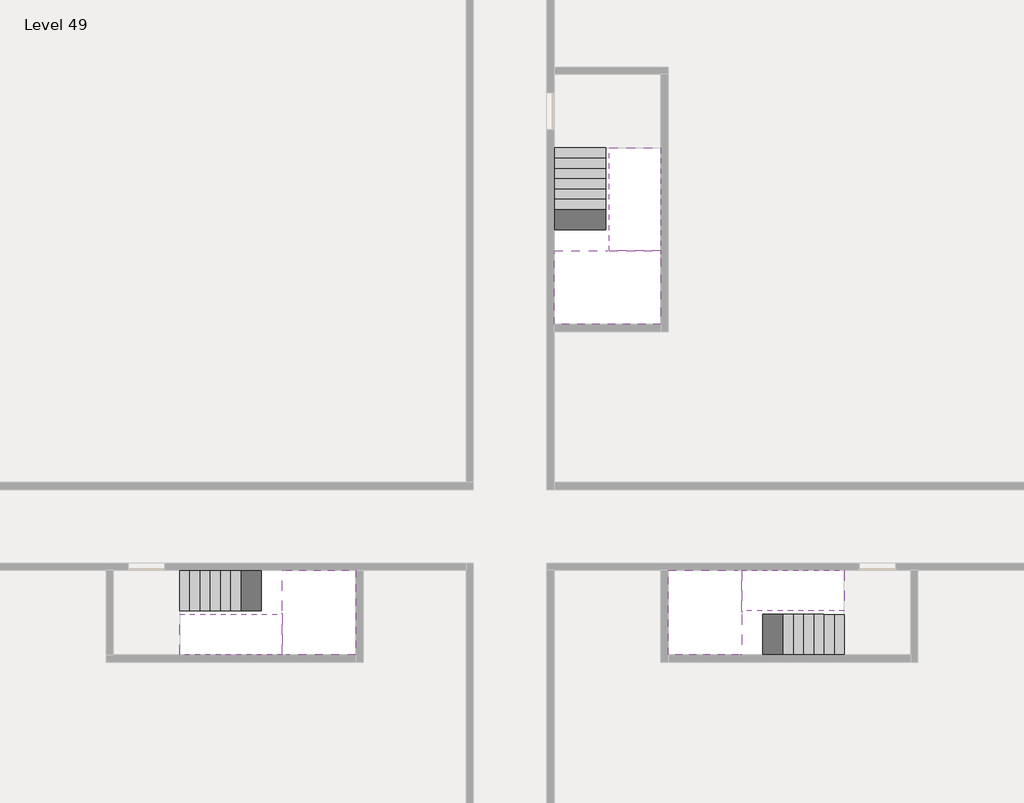
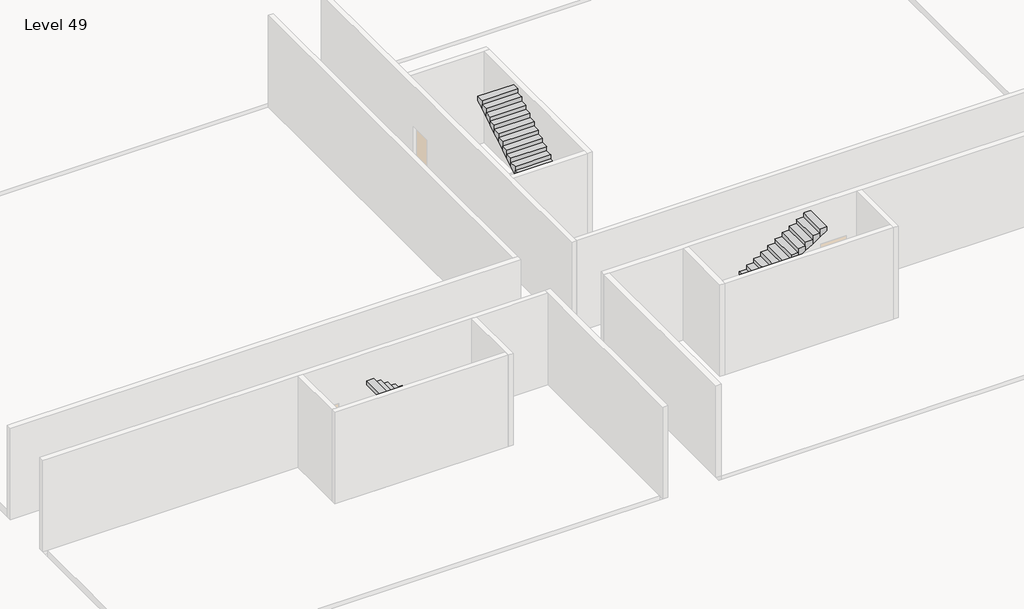
# One storey, part 2 of 2: 6 stair flights, 3 slabs.
"""IFC4 building model written with IfcOpenShell, lengths in millimetres."""

from ifc_helpers import new_model, si_unit, origin, place, context, project, spatial, faceted_brep, element, save

model = new_model("IFC4")

# Units and contexts
model_context = context("Model", 3, world=origin())
ifc_project = project(units=[si_unit("LENGTHUNIT", "METRE", prefix="MILLI")], contexts=[model_context])

# Site, building, storey
site = spatial("IfcSite", under=ifc_project)
building = spatial("IfcBuilding", under=site)
storey = spatial("IfcBuildingStorey", under=building, Name="Level 49", Elevation=182400.0)

# Slabs
placement = place(None, origin())
element("IfcSlab", 1, at=placement, inside=storey, context=model_context, shape_type="Brep", body=[
    faceted_brep([(26790.1058784, -34218.09644, 184300.0), (25390.1058784, -34218.09644, 184300.0), (25390.1058784, -34297.4828763, 184300.0), (25390.1058784, -36218.09644, 184300.0), (28290.1058784, -36218.09644, 184300.0), (28290.1058784, -34418.7100038, 184300.0), (28290.1058784, -34218.09644, 184300.0), (26890.1058784, -34218.09644, 184300.0), (26790.1058784, -34218.09644, 184000.0), (26790.1058784, -34218.09644, 183951.0278478), (25390.1058784, -34218.09644, 183951.0278478), (25390.1058784, -34218.09644, 184127.2727273), (25390.1058784, -34297.4828763, 184000.0), (25390.1058784, -36218.09644, 184000.0), (28290.1058784, -36218.09644, 184000.0), (28290.1058784, -34418.7100038, 184000.0), (28290.1058784, -34218.09644, 184123.7551205), (26890.1058784, -34218.09644, 184123.7551205), (26890.1058784, -34218.09644, 184000.0), (26890.1058784, -34418.7100038, 184000.0), (26790.1058784, -34297.4828763, 184000.0)], [[[0, 1, 2, 3, 4, 5, 6, 7]], [[1, 0, 8, 9, 10, 11]], [[1, 11, 10, 12, 13, 3, 2]], [[4, 3, 13, 14]], [[4, 14, 15, 16, 6, 5]], [[7, 6, 16, 17]], [[0, 7, 17, 18, 8]], [[18, 19, 15, 14, 13, 12, 20, 8]], [[19, 18, 17]], [[20, 12, 10, 9]], [[8, 20, 9]], [[15, 19, 17, 16]]]),
])
element("IfcSlab", 2, at=placement, inside=storey, context=model_context, shape_type="Brep", body=[
    faceted_brep([(30490.1058784, -45218.09644, 184300.0), (30490.1058784, -44118.09644, 184300.0), (30490.1058784, -44018.09644, 184300.0), (30490.1058784, -42918.09644, 184300.0), (30289.4923146, -42918.09644, 184300.0), (28490.1058784, -42918.09644, 184300.0), (28490.1058784, -45218.09644, 184300.0), (30410.7194421, -45218.09644, 184300.0), (30490.1058784, -45218.09644, 184127.2727273), (30490.1058784, -45218.09644, 183951.0278478), (30490.1058784, -44118.09644, 183951.0278478), (30490.1058784, -44118.09644, 184000.0), (30490.1058784, -44018.09644, 184000.0), (30490.1058784, -44018.09644, 184123.7551205), (30490.1058784, -42918.09644, 184123.7551205), (30289.4923146, -42918.09644, 184000.0), (28490.1058784, -42918.09644, 184000.0), (28490.1058784, -45218.09644, 184000.0), (30410.7194421, -45218.09644, 184000.0), (30289.4923146, -44018.09644, 184000.0), (30410.7194421, -44118.09644, 184000.0)], [[[0, 1, 2, 3, 4, 5, 6, 7]], [[1, 0, 8, 9, 10, 11]], [[2, 1, 11, 12, 13]], [[3, 2, 13, 14]], [[3, 14, 15, 16, 5, 4]], [[6, 5, 16, 17]], [[9, 8, 0, 7, 6, 17, 18]], [[19, 12, 11, 20, 18, 17, 16, 15]], [[12, 19, 13]], [[18, 20, 10, 9]], [[20, 11, 10]], [[19, 15, 14, 13]]]),
])
element("IfcSlab", 3, at=placement, inside=storey, context=model_context, shape_type="Brep", body=[
    faceted_brep([(17990.1058784, -42918.09644, 184300.0), (17990.1058784, -44018.09644, 184300.0), (17990.1058784, -44118.09644, 184300.0), (17990.1058784, -45218.09644, 184300.0), (18190.7194421, -45218.09644, 184300.0), (19990.1058784, -45218.09644, 184300.0), (19990.1058784, -42918.09644, 184300.0), (18069.4923146, -42918.09644, 184300.0), (17990.1058784, -42918.09644, 184127.2727273), (17990.1058784, -42918.09644, 183951.0278478), (17990.1058784, -44018.09644, 183951.0278478), (17990.1058784, -44018.09644, 184000.0), (17990.1058784, -44118.09644, 184000.0), (17990.1058784, -44118.09644, 184123.7551205), (17990.1058784, -45218.09644, 184123.7551205), (18190.7194421, -45218.09644, 184000.0), (19990.1058784, -45218.09644, 184000.0), (19990.1058784, -42918.09644, 184000.0), (18069.4923146, -42918.09644, 184000.0), (18190.7194421, -44118.09644, 184000.0), (18069.4923146, -44018.09644, 184000.0)], [[[0, 1, 2, 3, 4, 5, 6, 7]], [[1, 0, 8, 9, 10, 11]], [[2, 1, 11, 12, 13]], [[3, 2, 13, 14]], [[3, 14, 15, 16, 5, 4]], [[6, 5, 16, 17]], [[9, 8, 0, 7, 6, 17, 18]], [[19, 12, 11, 20, 18, 17, 16, 15]], [[12, 19, 13]], [[18, 20, 10, 9]], [[20, 11, 10]], [[19, 15, 14, 13]]]),
])

# Stair flights
element("IfcStairFlight", 4, at=placement, inside=storey, context=model_context, shape_type="Brep", body=[
    faceted_brep([(26790.1058784, -31698.09644, 182572.7272727), (26790.1058784, -31418.09644, 182572.7272727), (25390.1058784, -31418.09644, 182572.7272727), (25390.1058784, -31698.09644, 182572.7272727), (26790.1058784, -31698.09644, 182400.0), (26790.1058784, -31418.09644, 182400.0), (25390.1058784, -31418.09644, 182400.0), (25390.1058784, -31698.09644, 182400.0), (26790.1058784, -31978.09644, 182745.4545455), (26790.1058784, -31698.09644, 182745.4545455), (25390.1058784, -31698.09644, 182745.4545455), (25390.1058784, -31978.09644, 182745.4545455), (26790.1058784, -31978.09644, 182569.209666), (26790.1058784, -31703.7986657, 182400.0), (25390.1058784, -31703.7986657, 182400.0), (25390.1058784, -31978.09644, 182569.209666), (26790.1058784, -32258.09644, 182918.1818182), (26790.1058784, -31978.09644, 182918.1818182), (25390.1058784, -31978.09644, 182918.1818182), (25390.1058784, -32258.09644, 182918.1818182), (26790.1058784, -32258.09644, 182741.9369387), (25390.1058784, -32258.09644, 182741.9369387), (26790.1058784, -32538.09644, 183090.9090909), (26790.1058784, -32258.09644, 183090.9090909), (25390.1058784, -32258.09644, 183090.9090909), (25390.1058784, -32538.09644, 183090.9090909), (26790.1058784, -32538.09644, 182914.6642114), (25390.1058784, -32538.09644, 182914.6642114), (26790.1058784, -32818.09644, 183263.6363636), (26790.1058784, -32538.09644, 183263.6363636), (25390.1058784, -32538.09644, 183263.6363636), (25390.1058784, -32818.09644, 183263.6363636), (26790.1058784, -32818.09644, 183087.3914841), (25390.1058784, -32818.09644, 183087.3914841), (26790.1058784, -33098.09644, 183436.3636364), (26790.1058784, -32818.09644, 183436.3636364), (25390.1058784, -32818.09644, 183436.3636364), (25390.1058784, -33098.09644, 183436.3636364), (26790.1058784, -33098.09644, 183260.1187569), (25390.1058784, -33098.09644, 183260.1187569), (26790.1058784, -33378.09644, 183609.0909091), (26790.1058784, -33098.09644, 183609.0909091), (25390.1058784, -33098.09644, 183609.0909091), (25390.1058784, -33378.09644, 183609.0909091), (26790.1058784, -33378.09644, 183432.8460296), (25390.1058784, -33378.09644, 183432.8460296), (26790.1058784, -33658.09644, 183781.8181818), (26790.1058784, -33378.09644, 183781.8181818), (25390.1058784, -33378.09644, 183781.8181818), (25390.1058784, -33658.09644, 183781.8181818), (26790.1058784, -33658.09644, 183605.5733023), (25390.1058784, -33658.09644, 183605.5733023), (26790.1058784, -33938.09644, 183954.5454545), (26790.1058784, -33658.09644, 183954.5454545), (25390.1058784, -33658.09644, 183954.5454545), (25390.1058784, -33938.09644, 183954.5454545), (26790.1058784, -33938.09644, 183778.3005751), (25390.1058784, -33938.09644, 183778.3005751), (26790.1058784, -34218.09644, 184127.2727273), (26790.1058784, -33938.09644, 184127.2727273), (25390.1058784, -33938.09644, 184127.2727273), (25390.1058784, -34218.09644, 184127.2727273), (26790.1058784, -34218.09644, 184000.0), (26790.1058784, -34218.09644, 183951.0278478), (25390.1058784, -34218.09644, 183951.0278478)], [[[0, 1, 2, 3]], [[1, 0, 4, 5]], [[2, 1, 5, 6]], [[3, 2, 6, 7]], [[8, 9, 10, 11]], [[4, 0, 9, 8, 12, 13]], [[0, 3, 10, 9]], [[3, 7, 14, 15, 11, 10]], [[16, 17, 18, 19]], [[17, 16, 20, 12, 8]], [[8, 11, 18, 17]], [[19, 18, 11, 15, 21]], [[22, 23, 24, 25]], [[23, 22, 26, 20, 16]], [[16, 19, 24, 23]], [[25, 24, 19, 21, 27]], [[28, 29, 30, 31]], [[29, 28, 32, 26, 22]], [[22, 25, 30, 29]], [[31, 30, 25, 27, 33]], [[34, 35, 36, 37]], [[35, 34, 38, 32, 28]], [[28, 31, 36, 35]], [[37, 36, 31, 33, 39]], [[40, 41, 42, 43]], [[41, 40, 44, 38, 34]], [[34, 37, 42, 41]], [[43, 42, 37, 39, 45]], [[46, 47, 48, 49]], [[47, 46, 50, 44, 40]], [[40, 43, 48, 47]], [[49, 48, 43, 45, 51]], [[52, 53, 54, 55]], [[53, 52, 56, 50, 46]], [[46, 49, 54, 53]], [[55, 54, 49, 51, 57]], [[58, 59, 60, 61]], [[59, 58, 62, 63, 56, 52]], [[52, 55, 60, 59]], [[61, 60, 55, 57, 64]], [[58, 61, 64, 63, 62]], [[5, 4, 13, 14, 7, 6]], [[14, 13, 12, 20, 26, 32, 38, 44, 50, 56, 63, 64, 57, 51, 45, 39, 33, 27, 21, 15]]]),
])
element("IfcStairFlight", 5, at=placement, inside=storey, context=model_context, shape_type="Brep", body=[
    faceted_brep([(26890.1058784, -33938.09644, 184472.7272727), (26890.1058784, -34218.09644, 184472.7272727), (28290.1058784, -34218.09644, 184472.7272727), (28290.1058784, -33938.09644, 184472.7272727), (26890.1058784, -33938.09644, 184296.4823932), (26890.1058784, -34218.09644, 184123.7551205), (28290.1058784, -34218.09644, 184123.7551205), (28290.1058784, -34218.09644, 184300.0), (28290.1058784, -33938.09644, 184296.4823932), (26890.1058784, -33658.09644, 184645.4545455), (26890.1058784, -33938.09644, 184645.4545455), (28290.1058784, -33938.09644, 184645.4545455), (28290.1058784, -33658.09644, 184645.4545455), (26890.1058784, -33658.09644, 184469.209666), (28290.1058784, -33658.09644, 184469.209666), (26890.1058784, -33378.09644, 184818.1818182), (26890.1058784, -33658.09644, 184818.1818182), (28290.1058784, -33658.09644, 184818.1818182), (28290.1058784, -33378.09644, 184818.1818182), (26890.1058784, -33378.09644, 184641.9369387), (28290.1058784, -33378.09644, 184641.9369387), (26890.1058784, -33098.09644, 184990.9090909), (26890.1058784, -33378.09644, 184990.9090909), (28290.1058784, -33378.09644, 184990.9090909), (28290.1058784, -33098.09644, 184990.9090909), (26890.1058784, -33098.09644, 184814.6642114), (28290.1058784, -33098.09644, 184814.6642114), (26890.1058784, -32818.09644, 185163.6363636), (26890.1058784, -33098.09644, 185163.6363636), (28290.1058784, -33098.09644, 185163.6363636), (28290.1058784, -32818.09644, 185163.6363636), (26890.1058784, -32818.09644, 184987.3914841), (28290.1058784, -32818.09644, 184987.3914841), (26890.1058784, -32538.09644, 185336.3636364), (26890.1058784, -32818.09644, 185336.3636364), (28290.1058784, -32818.09644, 185336.3636364), (28290.1058784, -32538.09644, 185336.3636364), (26890.1058784, -32538.09644, 185160.1187569), (28290.1058784, -32538.09644, 185160.1187569), (26890.1058784, -32258.09644, 185509.0909091), (26890.1058784, -32538.09644, 185509.0909091), (28290.1058784, -32538.09644, 185509.0909091), (28290.1058784, -32258.09644, 185509.0909091), (26890.1058784, -32258.09644, 185332.8460296), (28290.1058784, -32258.09644, 185332.8460296), (26890.1058784, -31978.09644, 185681.8181818), (26890.1058784, -32258.09644, 185681.8181818), (28290.1058784, -32258.09644, 185681.8181818), (28290.1058784, -31978.09644, 185681.8181818), (26890.1058784, -31978.09644, 185505.5733023), (28290.1058784, -31978.09644, 185505.5733023), (26890.1058784, -31698.09644, 185854.5454545), (26890.1058784, -31978.09644, 185854.5454545), (28290.1058784, -31978.09644, 185854.5454545), (28290.1058784, -31698.09644, 185854.5454545), (26890.1058784, -31698.09644, 185678.3005751), (28290.1058784, -31698.09644, 185678.3005751), (26890.1058784, -31418.09644, 186027.2727273), (26890.1058784, -31698.09644, 186027.2727273), (28290.1058784, -31698.09644, 186027.2727273), (28290.1058784, -31418.09644, 186027.2727273), (26890.1058784, -31418.09644, 185851.0278478), (28290.1058784, -31418.09644, 185851.0278478)], [[[0, 1, 2, 3]], [[1, 0, 4, 5]], [[2, 1, 5, 6, 7]], [[3, 2, 7, 6, 8]], [[9, 10, 11, 12]], [[10, 9, 13, 4, 0]], [[11, 10, 0, 3]], [[12, 11, 3, 8, 14]], [[15, 16, 17, 18]], [[16, 15, 19, 13, 9]], [[17, 16, 9, 12]], [[18, 17, 12, 14, 20]], [[21, 22, 23, 24]], [[22, 21, 25, 19, 15]], [[23, 22, 15, 18]], [[24, 23, 18, 20, 26]], [[27, 28, 29, 30]], [[28, 27, 31, 25, 21]], [[29, 28, 21, 24]], [[30, 29, 24, 26, 32]], [[33, 34, 35, 36]], [[34, 33, 37, 31, 27]], [[35, 34, 27, 30]], [[36, 35, 30, 32, 38]], [[39, 40, 41, 42]], [[40, 39, 43, 37, 33]], [[41, 40, 33, 36]], [[42, 41, 36, 38, 44]], [[45, 46, 47, 48]], [[46, 45, 49, 43, 39]], [[47, 46, 39, 42]], [[48, 47, 42, 44, 50]], [[51, 52, 53, 54]], [[52, 51, 55, 49, 45]], [[53, 52, 45, 48]], [[54, 53, 48, 50, 56]], [[57, 58, 59, 60]], [[58, 57, 61, 55, 51]], [[59, 58, 51, 54]], [[60, 59, 54, 56, 62]], [[57, 60, 62, 61]], [[5, 4, 13, 19, 25, 31, 37, 43, 49, 55, 61, 62, 56, 50, 44, 38, 32, 26, 20, 14, 8, 6]]]),
])
element("IfcStairFlight", 6, at=placement, inside=storey, context=model_context, shape_type="Brep", body=[
    faceted_brep([(33010.1058784, -45218.09644, 182572.7272727), (33290.1058784, -45218.09644, 182572.7272727), (33290.1058784, -44118.09644, 182572.7272727), (33010.1058784, -44118.09644, 182572.7272727), (33010.1058784, -45218.09644, 182400.0), (33290.1058784, -45218.09644, 182400.0), (33290.1058784, -44118.09644, 182400.0), (33010.1058784, -44118.09644, 182400.0), (32730.1058784, -45218.09644, 182745.4545455), (33010.1058784, -45218.09644, 182745.4545455), (33010.1058784, -44118.09644, 182745.4545455), (32730.1058784, -44118.09644, 182745.4545455), (32730.1058784, -45218.09644, 182569.209666), (33004.4036527, -45218.09644, 182400.0), (33004.4036527, -44118.09644, 182400.0), (32730.1058784, -44118.09644, 182569.209666), (32450.1058784, -45218.09644, 182918.1818182), (32730.1058784, -45218.09644, 182918.1818182), (32730.1058784, -44118.09644, 182918.1818182), (32450.1058784, -44118.09644, 182918.1818182), (32450.1058784, -45218.09644, 182741.9369387), (32450.1058784, -44118.09644, 182741.9369387), (32170.1058784, -45218.09644, 183090.9090909), (32450.1058784, -45218.09644, 183090.9090909), (32450.1058784, -44118.09644, 183090.9090909), (32170.1058784, -44118.09644, 183090.9090909), (32170.1058784, -45218.09644, 182914.6642114), (32170.1058784, -44118.09644, 182914.6642114), (31890.1058784, -45218.09644, 183263.6363636), (32170.1058784, -45218.09644, 183263.6363636), (32170.1058784, -44118.09644, 183263.6363636), (31890.1058784, -44118.09644, 183263.6363636), (31890.1058784, -45218.09644, 183087.3914841), (31890.1058784, -44118.09644, 183087.3914841), (31610.1058784, -45218.09644, 183436.3636364), (31890.1058784, -45218.09644, 183436.3636364), (31890.1058784, -44118.09644, 183436.3636364), (31610.1058784, -44118.09644, 183436.3636364), (31610.1058784, -45218.09644, 183260.1187569), (31610.1058784, -44118.09644, 183260.1187569), (31330.1058784, -45218.09644, 183609.0909091), (31610.1058784, -45218.09644, 183609.0909091), (31610.1058784, -44118.09644, 183609.0909091), (31330.1058784, -44118.09644, 183609.0909091), (31330.1058784, -45218.09644, 183432.8460296), (31330.1058784, -44118.09644, 183432.8460296), (31050.1058784, -45218.09644, 183781.8181818), (31330.1058784, -45218.09644, 183781.8181818), (31330.1058784, -44118.09644, 183781.8181818), (31050.1058784, -44118.09644, 183781.8181818), (31050.1058784, -45218.09644, 183605.5733023), (31050.1058784, -44118.09644, 183605.5733023), (30770.1058784, -45218.09644, 183954.5454545), (31050.1058784, -45218.09644, 183954.5454545), (31050.1058784, -44118.09644, 183954.5454545), (30770.1058784, -44118.09644, 183954.5454545), (30770.1058784, -45218.09644, 183778.3005751), (30770.1058784, -44118.09644, 183778.3005751), (30490.1058784, -45218.09644, 184127.2727273), (30770.1058784, -45218.09644, 184127.2727273), (30770.1058784, -44118.09644, 184127.2727273), (30490.1058784, -44118.09644, 184127.2727273), (30490.1058784, -45218.09644, 183951.0278478), (30490.1058784, -44118.09644, 183951.0278478), (30490.1058784, -44118.09644, 184000.0)], [[[0, 1, 2, 3]], [[1, 0, 4, 5]], [[2, 1, 5, 6]], [[3, 2, 6, 7]], [[8, 9, 10, 11]], [[4, 0, 9, 8, 12, 13]], [[0, 3, 10, 9]], [[3, 7, 14, 15, 11, 10]], [[16, 17, 18, 19]], [[17, 16, 20, 12, 8]], [[8, 11, 18, 17]], [[19, 18, 11, 15, 21]], [[22, 23, 24, 25]], [[23, 22, 26, 20, 16]], [[16, 19, 24, 23]], [[25, 24, 19, 21, 27]], [[28, 29, 30, 31]], [[29, 28, 32, 26, 22]], [[22, 25, 30, 29]], [[31, 30, 25, 27, 33]], [[34, 35, 36, 37]], [[35, 34, 38, 32, 28]], [[28, 31, 36, 35]], [[37, 36, 31, 33, 39]], [[40, 41, 42, 43]], [[41, 40, 44, 38, 34]], [[34, 37, 42, 41]], [[43, 42, 37, 39, 45]], [[46, 47, 48, 49]], [[47, 46, 50, 44, 40]], [[40, 43, 48, 47]], [[49, 48, 43, 45, 51]], [[52, 53, 54, 55]], [[53, 52, 56, 50, 46]], [[46, 49, 54, 53]], [[55, 54, 49, 51, 57]], [[58, 59, 60, 61]], [[59, 58, 62, 56, 52]], [[52, 55, 60, 59]], [[61, 60, 55, 57, 63, 64]], [[58, 61, 64, 63, 62]], [[5, 4, 13, 14, 7, 6]], [[14, 13, 12, 20, 26, 32, 38, 44, 50, 56, 62, 63, 57, 51, 45, 39, 33, 27, 21, 15]]]),
])
element("IfcStairFlight", 7, at=placement, inside=storey, context=model_context, shape_type="Brep", body=[
    faceted_brep([(30770.1058784, -42918.09644, 184472.7272727), (30490.1058784, -42918.09644, 184472.7272727), (30490.1058784, -44018.09644, 184472.7272727), (30770.1058784, -44018.09644, 184472.7272727), (30770.1058784, -42918.09644, 184296.4823932), (30490.1058784, -42918.09644, 184123.7551205), (30490.1058784, -42918.09644, 184300.0), (30490.1058784, -44018.09644, 184123.7551205), (30770.1058784, -44018.09644, 184296.4823932), (31050.1058784, -42918.09644, 184645.4545455), (30770.1058784, -42918.09644, 184645.4545455), (30770.1058784, -44018.09644, 184645.4545455), (31050.1058784, -44018.09644, 184645.4545455), (31050.1058784, -42918.09644, 184469.209666), (31050.1058784, -44018.09644, 184469.209666), (31330.1058784, -42918.09644, 184818.1818182), (31050.1058784, -42918.09644, 184818.1818182), (31050.1058784, -44018.09644, 184818.1818182), (31330.1058784, -44018.09644, 184818.1818182), (31330.1058784, -42918.09644, 184641.9369387), (31330.1058784, -44018.09644, 184641.9369387), (31610.1058784, -42918.09644, 184990.9090909), (31330.1058784, -42918.09644, 184990.9090909), (31330.1058784, -44018.09644, 184990.9090909), (31610.1058784, -44018.09644, 184990.9090909), (31610.1058784, -42918.09644, 184814.6642114), (31610.1058784, -44018.09644, 184814.6642114), (31890.1058784, -42918.09644, 185163.6363636), (31610.1058784, -42918.09644, 185163.6363636), (31610.1058784, -44018.09644, 185163.6363636), (31890.1058784, -44018.09644, 185163.6363636), (31890.1058784, -42918.09644, 184987.3914841), (31890.1058784, -44018.09644, 184987.3914841), (32170.1058784, -42918.09644, 185336.3636364), (31890.1058784, -42918.09644, 185336.3636364), (31890.1058784, -44018.09644, 185336.3636364), (32170.1058784, -44018.09644, 185336.3636364), (32170.1058784, -42918.09644, 185160.1187569), (32170.1058784, -44018.09644, 185160.1187569), (32450.1058784, -42918.09644, 185509.0909091), (32170.1058784, -42918.09644, 185509.0909091), (32170.1058784, -44018.09644, 185509.0909091), (32450.1058784, -44018.09644, 185509.0909091), (32450.1058784, -42918.09644, 185332.8460296), (32450.1058784, -44018.09644, 185332.8460296), (32730.1058784, -42918.09644, 185681.8181818), (32450.1058784, -42918.09644, 185681.8181818), (32450.1058784, -44018.09644, 185681.8181818), (32730.1058784, -44018.09644, 185681.8181818), (32730.1058784, -42918.09644, 185505.5733023), (32730.1058784, -44018.09644, 185505.5733023), (33010.1058784, -42918.09644, 185854.5454545), (32730.1058784, -42918.09644, 185854.5454545), (32730.1058784, -44018.09644, 185854.5454545), (33010.1058784, -44018.09644, 185854.5454545), (33010.1058784, -42918.09644, 185678.3005751), (33010.1058784, -44018.09644, 185678.3005751), (33290.1058784, -42918.09644, 186027.2727273), (33010.1058784, -42918.09644, 186027.2727273), (33010.1058784, -44018.09644, 186027.2727273), (33290.1058784, -44018.09644, 186027.2727273), (33290.1058784, -42918.09644, 185851.0278478), (33290.1058784, -44018.09644, 185851.0278478)], [[[0, 1, 2, 3]], [[1, 0, 4, 5, 6]], [[2, 1, 6, 5, 7]], [[3, 2, 7, 8]], [[9, 10, 11, 12]], [[10, 9, 13, 4, 0]], [[11, 10, 0, 3]], [[12, 11, 3, 8, 14]], [[15, 16, 17, 18]], [[16, 15, 19, 13, 9]], [[17, 16, 9, 12]], [[18, 17, 12, 14, 20]], [[21, 22, 23, 24]], [[22, 21, 25, 19, 15]], [[23, 22, 15, 18]], [[24, 23, 18, 20, 26]], [[27, 28, 29, 30]], [[28, 27, 31, 25, 21]], [[29, 28, 21, 24]], [[30, 29, 24, 26, 32]], [[33, 34, 35, 36]], [[34, 33, 37, 31, 27]], [[35, 34, 27, 30]], [[36, 35, 30, 32, 38]], [[39, 40, 41, 42]], [[40, 39, 43, 37, 33]], [[41, 40, 33, 36]], [[42, 41, 36, 38, 44]], [[45, 46, 47, 48]], [[46, 45, 49, 43, 39]], [[47, 46, 39, 42]], [[48, 47, 42, 44, 50]], [[51, 52, 53, 54]], [[52, 51, 55, 49, 45]], [[53, 52, 45, 48]], [[54, 53, 48, 50, 56]], [[57, 58, 59, 60]], [[58, 57, 61, 55, 51]], [[59, 58, 51, 54]], [[60, 59, 54, 56, 62]], [[57, 60, 62, 61]], [[5, 4, 13, 19, 25, 31, 37, 43, 49, 55, 61, 62, 56, 50, 44, 38, 32, 26, 20, 14, 8, 7]]]),
])
element("IfcStairFlight", 8, at=placement, inside=storey, context=model_context, shape_type="Brep", body=[
    faceted_brep([(15470.1058784, -42918.09644, 182572.7272727), (15190.1058784, -42918.09644, 182572.7272727), (15190.1058784, -44018.09644, 182572.7272727), (15470.1058784, -44018.09644, 182572.7272727), (15470.1058784, -42918.09644, 182400.0), (15190.1058784, -42918.09644, 182400.0), (15190.1058784, -44018.09644, 182400.0), (15470.1058784, -44018.09644, 182400.0), (15750.1058784, -42918.09644, 182745.4545455), (15470.1058784, -42918.09644, 182745.4545455), (15470.1058784, -44018.09644, 182745.4545455), (15750.1058784, -44018.09644, 182745.4545455), (15750.1058784, -42918.09644, 182569.209666), (15475.8081041, -42918.09644, 182400.0), (15475.8081041, -44018.09644, 182400.0), (15750.1058784, -44018.09644, 182569.209666), (16030.1058784, -42918.09644, 182918.1818182), (15750.1058784, -42918.09644, 182918.1818182), (15750.1058784, -44018.09644, 182918.1818182), (16030.1058784, -44018.09644, 182918.1818182), (16030.1058784, -42918.09644, 182741.9369387), (16030.1058784, -44018.09644, 182741.9369387), (16310.1058784, -42918.09644, 183090.9090909), (16030.1058784, -42918.09644, 183090.9090909), (16030.1058784, -44018.09644, 183090.9090909), (16310.1058784, -44018.09644, 183090.9090909), (16310.1058784, -42918.09644, 182914.6642114), (16310.1058784, -44018.09644, 182914.6642114), (16590.1058784, -42918.09644, 183263.6363636), (16310.1058784, -42918.09644, 183263.6363636), (16310.1058784, -44018.09644, 183263.6363636), (16590.1058784, -44018.09644, 183263.6363636), (16590.1058784, -42918.09644, 183087.3914841), (16590.1058784, -44018.09644, 183087.3914841), (16870.1058784, -42918.09644, 183436.3636364), (16590.1058784, -42918.09644, 183436.3636364), (16590.1058784, -44018.09644, 183436.3636364), (16870.1058784, -44018.09644, 183436.3636364), (16870.1058784, -42918.09644, 183260.1187569), (16870.1058784, -44018.09644, 183260.1187569), (17150.1058784, -42918.09644, 183609.0909091), (16870.1058784, -42918.09644, 183609.0909091), (16870.1058784, -44018.09644, 183609.0909091), (17150.1058784, -44018.09644, 183609.0909091), (17150.1058784, -42918.09644, 183432.8460296), (17150.1058784, -44018.09644, 183432.8460296), (17430.1058784, -42918.09644, 183781.8181818), (17150.1058784, -42918.09644, 183781.8181818), (17150.1058784, -44018.09644, 183781.8181818), (17430.1058784, -44018.09644, 183781.8181818), (17430.1058784, -42918.09644, 183605.5733023), (17430.1058784, -44018.09644, 183605.5733023), (17710.1058784, -42918.09644, 183954.5454545), (17430.1058784, -42918.09644, 183954.5454545), (17430.1058784, -44018.09644, 183954.5454545), (17710.1058784, -44018.09644, 183954.5454545), (17710.1058784, -42918.09644, 183778.3005751), (17710.1058784, -44018.09644, 183778.3005751), (17990.1058784, -42918.09644, 184127.2727273), (17710.1058784, -42918.09644, 184127.2727273), (17710.1058784, -44018.09644, 184127.2727273), (17990.1058784, -44018.09644, 184127.2727273), (17990.1058784, -42918.09644, 183951.0278478), (17990.1058784, -44018.09644, 183951.0278478), (17990.1058784, -44018.09644, 184000.0)], [[[0, 1, 2, 3]], [[1, 0, 4, 5]], [[2, 1, 5, 6]], [[3, 2, 6, 7]], [[8, 9, 10, 11]], [[4, 0, 9, 8, 12, 13]], [[0, 3, 10, 9]], [[3, 7, 14, 15, 11, 10]], [[16, 17, 18, 19]], [[17, 16, 20, 12, 8]], [[8, 11, 18, 17]], [[19, 18, 11, 15, 21]], [[22, 23, 24, 25]], [[23, 22, 26, 20, 16]], [[16, 19, 24, 23]], [[25, 24, 19, 21, 27]], [[28, 29, 30, 31]], [[29, 28, 32, 26, 22]], [[22, 25, 30, 29]], [[31, 30, 25, 27, 33]], [[34, 35, 36, 37]], [[35, 34, 38, 32, 28]], [[28, 31, 36, 35]], [[37, 36, 31, 33, 39]], [[40, 41, 42, 43]], [[41, 40, 44, 38, 34]], [[34, 37, 42, 41]], [[43, 42, 37, 39, 45]], [[46, 47, 48, 49]], [[47, 46, 50, 44, 40]], [[40, 43, 48, 47]], [[49, 48, 43, 45, 51]], [[52, 53, 54, 55]], [[53, 52, 56, 50, 46]], [[46, 49, 54, 53]], [[55, 54, 49, 51, 57]], [[58, 59, 60, 61]], [[59, 58, 62, 56, 52]], [[52, 55, 60, 59]], [[61, 60, 55, 57, 63, 64]], [[58, 61, 64, 63, 62]], [[5, 4, 13, 14, 7, 6]], [[14, 13, 12, 20, 26, 32, 38, 44, 50, 56, 62, 63, 57, 51, 45, 39, 33, 27, 21, 15]]]),
])
element("IfcStairFlight", 9, at=placement, inside=storey, context=model_context, shape_type="Brep", body=[
    faceted_brep([(17710.1058784, -45218.09644, 184472.7272727), (17990.1058784, -45218.09644, 184472.7272727), (17990.1058784, -44118.09644, 184472.7272727), (17710.1058784, -44118.09644, 184472.7272727), (17710.1058784, -45218.09644, 184296.4823932), (17990.1058784, -45218.09644, 184123.7551205), (17990.1058784, -45218.09644, 184300.0), (17990.1058784, -44118.09644, 184123.7551205), (17710.1058784, -44118.09644, 184296.4823932), (17430.1058784, -45218.09644, 184645.4545455), (17710.1058784, -45218.09644, 184645.4545455), (17710.1058784, -44118.09644, 184645.4545455), (17430.1058784, -44118.09644, 184645.4545455), (17430.1058784, -45218.09644, 184469.209666), (17430.1058784, -44118.09644, 184469.209666), (17150.1058784, -45218.09644, 184818.1818182), (17430.1058784, -45218.09644, 184818.1818182), (17430.1058784, -44118.09644, 184818.1818182), (17150.1058784, -44118.09644, 184818.1818182), (17150.1058784, -45218.09644, 184641.9369387), (17150.1058784, -44118.09644, 184641.9369387), (16870.1058784, -45218.09644, 184990.9090909), (17150.1058784, -45218.09644, 184990.9090909), (17150.1058784, -44118.09644, 184990.9090909), (16870.1058784, -44118.09644, 184990.9090909), (16870.1058784, -45218.09644, 184814.6642114), (16870.1058784, -44118.09644, 184814.6642114), (16590.1058784, -45218.09644, 185163.6363636), (16870.1058784, -45218.09644, 185163.6363636), (16870.1058784, -44118.09644, 185163.6363636), (16590.1058784, -44118.09644, 185163.6363636), (16590.1058784, -45218.09644, 184987.3914841), (16590.1058784, -44118.09644, 184987.3914841), (16310.1058784, -45218.09644, 185336.3636364), (16590.1058784, -45218.09644, 185336.3636364), (16590.1058784, -44118.09644, 185336.3636364), (16310.1058784, -44118.09644, 185336.3636364), (16310.1058784, -45218.09644, 185160.1187569), (16310.1058784, -44118.09644, 185160.1187569), (16030.1058784, -45218.09644, 185509.0909091), (16310.1058784, -45218.09644, 185509.0909091), (16310.1058784, -44118.09644, 185509.0909091), (16030.1058784, -44118.09644, 185509.0909091), (16030.1058784, -45218.09644, 185332.8460296), (16030.1058784, -44118.09644, 185332.8460296), (15750.1058784, -45218.09644, 185681.8181818), (16030.1058784, -45218.09644, 185681.8181818), (16030.1058784, -44118.09644, 185681.8181818), (15750.1058784, -44118.09644, 185681.8181818), (15750.1058784, -45218.09644, 185505.5733023), (15750.1058784, -44118.09644, 185505.5733023), (15470.1058784, -45218.09644, 185854.5454545), (15750.1058784, -45218.09644, 185854.5454545), (15750.1058784, -44118.09644, 185854.5454545), (15470.1058784, -44118.09644, 185854.5454545), (15470.1058784, -45218.09644, 185678.3005751), (15470.1058784, -44118.09644, 185678.3005751), (15190.1058784, -45218.09644, 186027.2727273), (15470.1058784, -45218.09644, 186027.2727273), (15470.1058784, -44118.09644, 186027.2727273), (15190.1058784, -44118.09644, 186027.2727273), (15190.1058784, -45218.09644, 185851.0278478), (15190.1058784, -44118.09644, 185851.0278478)], [[[0, 1, 2, 3]], [[1, 0, 4, 5, 6]], [[2, 1, 6, 5, 7]], [[3, 2, 7, 8]], [[9, 10, 11, 12]], [[10, 9, 13, 4, 0]], [[11, 10, 0, 3]], [[12, 11, 3, 8, 14]], [[15, 16, 17, 18]], [[16, 15, 19, 13, 9]], [[17, 16, 9, 12]], [[18, 17, 12, 14, 20]], [[21, 22, 23, 24]], [[22, 21, 25, 19, 15]], [[23, 22, 15, 18]], [[24, 23, 18, 20, 26]], [[27, 28, 29, 30]], [[28, 27, 31, 25, 21]], [[29, 28, 21, 24]], [[30, 29, 24, 26, 32]], [[33, 34, 35, 36]], [[34, 33, 37, 31, 27]], [[35, 34, 27, 30]], [[36, 35, 30, 32, 38]], [[39, 40, 41, 42]], [[40, 39, 43, 37, 33]], [[41, 40, 33, 36]], [[42, 41, 36, 38, 44]], [[45, 46, 47, 48]], [[46, 45, 49, 43, 39]], [[47, 46, 39, 42]], [[48, 47, 42, 44, 50]], [[51, 52, 53, 54]], [[52, 51, 55, 49, 45]], [[53, 52, 45, 48]], [[54, 53, 48, 50, 56]], [[57, 58, 59, 60]], [[58, 57, 61, 55, 51]], [[59, 58, 51, 54]], [[60, 59, 54, 56, 62]], [[57, 60, 62, 61]], [[5, 4, 13, 19, 25, 31, 37, 43, 49, 55, 61, 62, 56, 50, 44, 38, 32, 26, 20, 14, 8, 7]]]),
])

save(model, "model.ifc")
